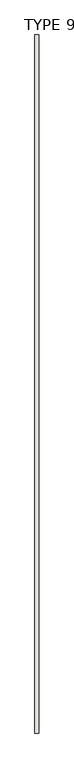
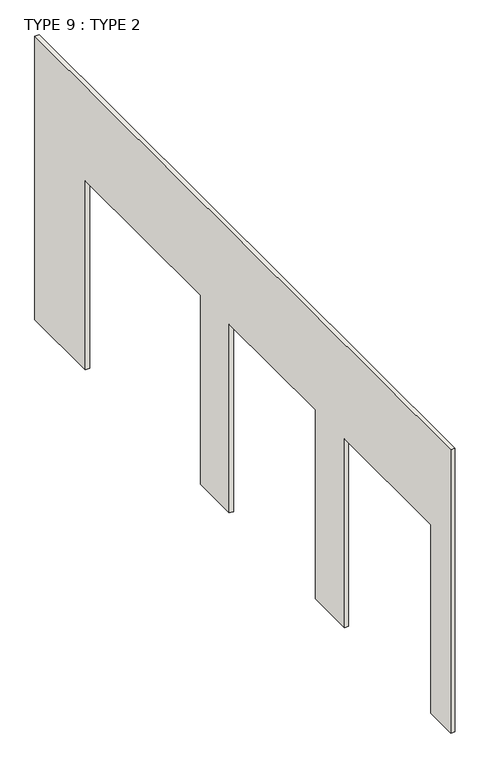
"""IFC4 building model written with IfcOpenShell, lengths in millimetres: wall geometry, TYPE 9 : TYPE 2."""

import ifcopenshell
import ifcopenshell.guid

model = None  # the IFC model being written
_history = None  # IfcOwnerHistory: only IFC2X3 demands one
_inside = {}  # id of a spatial element -> (the spatial element, [elements in it])
_under = {}  # id of a project, library or spatial element -> (it, [spatial elements below it])
_declared = {}  # id of a project -> (the project, [libraries it declares])
_typed = {}  # id of a type object -> (the type object, [elements of that type])
_made_of = {}  # id of a material, layer set ... -> (it, [elements and type objects made of it])


def new_model(schema):
    """Start an empty IFC model of exactly this schema.

    Asked for "IFC4X3", IfcOpenShell would pick the latest addendum, in which some entities
    have other attributes; the version numbers below select the first issue.
    IFC2X3 requires an IfcOwnerHistory on every rooted entity: one is made here for all.
    """
    global model, _history
    if schema == "IFC4X3":
        model = ifcopenshell.file(schema_version=(4, 3, 0, 0))
    else:
        model = ifcopenshell.file(schema=schema)
    _inside.clear()
    _under.clear()
    _declared.clear()
    _typed.clear()
    _made_of.clear()
    _history = None
    if model.schema == "IFC2X3":
        org = make("IfcOrganization", Name="unknown")
        user = make(
            "IfcPersonAndOrganization",
            ThePerson=make("IfcPerson", FamilyName="unknown"),
            TheOrganization=org,
        )
        app = make(
            "IfcApplication",
            ApplicationDeveloper=org,
            Version="unknown",
            ApplicationFullName="unknown",
            ApplicationIdentifier="unknown",
        )
        _history = make(
            "IfcOwnerHistory",
            OwningUser=user,
            OwningApplication=app,
            ChangeAction="ADDED",
            CreationDate=0,
        )
    return model


def make(cls, **values):
    """One entity of the class cls with the attributes given. An attribute that is None is left unset."""
    return model.create_entity(
        cls, **{name: value for name, value in values.items() if value is not None}
    )


def rooted(cls, **values):
    """An entity with a GlobalId (a new one), such as an element, a storey or a relation."""
    return make(cls, GlobalId=ifcopenshell.guid.new(), OwnerHistory=_history, **values)


def si_unit(unit_type, name, prefix=None):
    """IfcSIUnit, for example si_unit("LENGTHUNIT", "METRE", prefix="MILLI")."""
    return make("IfcSIUnit", UnitType=unit_type, Prefix=prefix, Name=name)


def assignment(units):
    """IfcUnitAssignment: the units of a project."""
    return None if units is None else make("IfcUnitAssignment", Units=units)


def point(xyz):
    """IfcCartesianPoint."""
    return None if xyz is None else make("IfcCartesianPoint", Coordinates=xyz)


def direction(xyz):
    """IfcDirection."""
    return None if xyz is None else make("IfcDirection", DirectionRatios=xyz)


def frame(location, z_axis=None, x_axis=None):
    """IfcAxis2Placement3D, a coordinate frame: its origin and axes. An axis left out is left unset."""
    return make(
        "IfcAxis2Placement3D",
        Location=point(location),
        Axis=direction(z_axis),
        RefDirection=direction(x_axis),
    )


def origin():
    """The frame at (0, 0, 0) with its axes left unset."""
    return frame((0.0, 0.0, 0.0))


def place(relative_to, where):
    """IfcLocalPlacement: puts the frame where relative to a parent placement (None: the world)."""
    return make(
        "IfcLocalPlacement", PlacementRelTo=relative_to, RelativePlacement=where
    )


def context(
    kind, dimensions, precision=None, world=None, true_north=None, identifier=None
):
    """IfcGeometricRepresentationContext, for example the 3D "Model" context."""
    return make(
        "IfcGeometricRepresentationContext",
        ContextIdentifier=identifier,
        ContextType=kind,
        CoordinateSpaceDimension=dimensions,
        Precision=precision,
        WorldCoordinateSystem=world,
        TrueNorth=true_north,
    )


def project(units=None, contexts=None):
    """IfcProject with its units and contexts."""
    return rooted(
        "IfcProject",
        Name="project",
        RepresentationContexts=contexts,
        UnitsInContext=assignment(units),
    )


def spatial(cls, under=None, at=None, **own):
    """A site, building, storey or space (cls), placed at a placement, below another one or the project."""
    s = rooted(cls, ObjectPlacement=at, **own)
    if under is not None:
        _under.setdefault(under.id(), (under, []))[1].append(s)
    return s


def polyline(points):
    """IfcPolyline through the points."""
    return make("IfcPolyline", Points=[point(p) for p in points])


def outline(outer, holes=None, kind="AREA"):
    """IfcArbitraryClosedProfileDef: a profile drawn as a closed curve; with holes, ...WithVoids."""
    if holes is None:
        return make("IfcArbitraryClosedProfileDef", ProfileType=kind, OuterCurve=outer)
    return make(
        "IfcArbitraryProfileDefWithVoids",
        ProfileType=kind,
        OuterCurve=outer,
        InnerCurves=holes,
    )


def extrude(swept, where, along, depth):
    """IfcExtrudedAreaSolid: the profile swept, set in the frame where, extruded along a direction by depth."""
    return make(
        "IfcExtrudedAreaSolid",
        SweptArea=swept,
        Position=where,
        ExtrudedDirection=direction(along),
        Depth=depth,
    )


def shape(context_of_items, identifier, shape_type, items):
    """IfcShapeRepresentation: the items that make up one representation, for example the "Body"."""
    return make(
        "IfcShapeRepresentation",
        ContextOfItems=context_of_items,
        RepresentationIdentifier=identifier,
        RepresentationType=shape_type,
        Items=items,
    )


def source(mapping_origin, context_of_items, identifier, shape_type, items):
    """IfcRepresentationMap: a shape defined once, which mapped items show again and again."""
    return make(
        "IfcRepresentationMap",
        MappingOrigin=mapping_origin,
        MappedRepresentation=shape(context_of_items, identifier, shape_type, items),
    )


def transform(
    local_origin,
    x_axis=None,
    y_axis=None,
    z_axis=None,
    scale=None,
    scale2=None,
    scale3=None,
    uniform=True,
):
    """IfcCartesianTransformationOperator3D, or its non-uniform kind. x_axis, y_axis, z_axis: its Axis1, 2, 3."""
    if uniform:
        return make(
            "IfcCartesianTransformationOperator3D",
            Axis1=direction(x_axis),
            Axis2=direction(y_axis),
            LocalOrigin=point(local_origin),
            Scale=scale,
            Axis3=direction(z_axis),
        )
    return make(
        "IfcCartesianTransformationOperator3DnonUniform",
        Axis1=direction(x_axis),
        Axis2=direction(y_axis),
        LocalOrigin=point(local_origin),
        Scale=scale,
        Axis3=direction(z_axis),
        Scale2=scale2,
        Scale3=scale3,
    )


def mapped(mapping_source, mapping_target):
    """IfcMappedItem: shows the shape of a source again, moved by a transform."""
    return make(
        "IfcMappedItem", MappingSource=mapping_source, MappingTarget=mapping_target
    )


def made_of(thing, what):
    """Note that an element or type object is made of a material, layer set ...; save() writes the relation."""
    if what is not None:
        _made_of.setdefault(what.id(), (what, []))[1].append(thing)
    return thing


def element(
    cls,
    number,
    at=None,
    inside=None,
    cuts=None,
    type_object=None,
    material=None,
    context=None,
    identifier="Body",
    shape_type=None,
    held_by="IfcProductDefinitionShape",
    body=None,
    shapes=None,
    **own,
):
    """One element of the class cls, such as IfcWall. Its Tag is "e" and its number.

    at: its placement. inside: the storey or other place that contains it. cuts: it is an
    opening in that element (IfcRelVoidsElement). A single representation is given by context,
    identifier, shape_type and body (its items); several are given by shapes. held_by: the class
    of the entity that holds the representations. save() writes the other relations.
    """
    e = rooted(cls, Tag="e%d" % number, ObjectPlacement=at, **own)
    if body is not None:
        shapes = [shape(context, identifier, shape_type, body)]
    if shapes is not None:
        e.Representation = make(held_by, Representations=shapes)
    if inside is not None:
        _inside.setdefault(inside.id(), (inside, []))[1].append(e)
    if cuts is not None:
        rooted(
            "IfcRelVoidsElement", RelatingBuildingElement=cuts, RelatedOpeningElement=e
        )
    if type_object is not None:
        _typed.setdefault(type_object.id(), (type_object, []))[1].append(e)
    return made_of(e, material)


def aggregate(whole, parts):
    """IfcRelAggregates: a whole, such as a stair, and the parts it consists of."""
    return rooted("IfcRelAggregates", RelatingObject=whole, RelatedObjects=parts)


def save(model, path):
    """Write the relations noted so far, then the file.

    IfcRelAggregates (storeys below a building ...), IfcRelContainedInSpatialStructure (elements
    in a storey), IfcRelDefinesByType, IfcRelAssociatesMaterial and IfcRelDeclares: one each for
    every whole, place, type object, material and project.
    """
    for whole, parts in _under.values():
        aggregate(whole, parts)
    for where, things in _inside.values():
        rooted(
            "IfcRelContainedInSpatialStructure",
            RelatedElements=things,
            RelatingStructure=where,
        )
    for kind, things in _typed.values():
        rooted("IfcRelDefinesByType", RelatedObjects=things, RelatingType=kind)
    for what, things in _made_of.values():
        rooted("IfcRelAssociatesMaterial", RelatedObjects=things, RelatingMaterial=what)
    for by, libraries in _declared.values():
        rooted("IfcRelDeclares", RelatingContext=by, RelatedDefinitions=libraries)
    model.write(path)


def type_9_type_2_6e47f193(model_context):
    return source(origin(), model_context, "Body", "SweptSolid", [
        extrude(outline(polyline([(5418.1649881, 3657.6), (14218.440365, 3657.6), (14218.440365, 0.0), (13151.640365, 0.0), (13151.640365, 2438.4), (10713.240365, 2438.4), (10713.240365, 0.0), (10103.640365, 0.0), (10103.640365, 2438.4), (8274.840365, 2438.4), (8274.840365, 0.0), (7665.240365, 0.0), (7665.240365, 2438.4), (5836.440365, 2438.4), (5836.440365, 0.0), (5418.1649881, 0.0), (5418.1649881, 3657.6)])), frame((-49734.7440345, 0.0, 0.0), z_axis=(1.0, 0.0, 0.0), x_axis=(0.0, 1.0, 0.0)), (0.0, 0.0, 1.0), 50.8),
    ])


if __name__ == "__main__":
    model = new_model("IFC4")
    model_context = context("Model", 3, world=origin())
    ifc_project = project(units=[si_unit("LENGTHUNIT", "METRE", prefix="MILLI")], contexts=[model_context])
    site = spatial("IfcSite", under=ifc_project)
    building = spatial("IfcBuilding", under=site)
    placement = place(None, origin())
    type_9_type_2_shape = type_9_type_2_6e47f193(model_context)
    element("IfcWall", 1, ObjectType="TYPE 9 : TYPE 2", at=placement, inside=building, context=model_context, shape_type="MappedRepresentation", body=[
        mapped(type_9_type_2_shape, transform((0.0, 0.0, 0.0), x_axis=(1.0, 0.0, 0.0), y_axis=(0.0, 1.0, 0.0), z_axis=(0.0, 0.0, 1.0))),
    ])
    save(model, "model.ifc")
